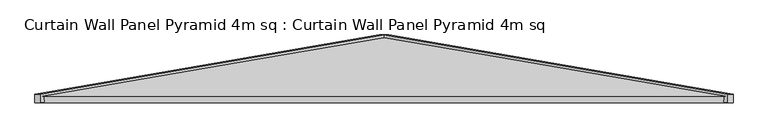
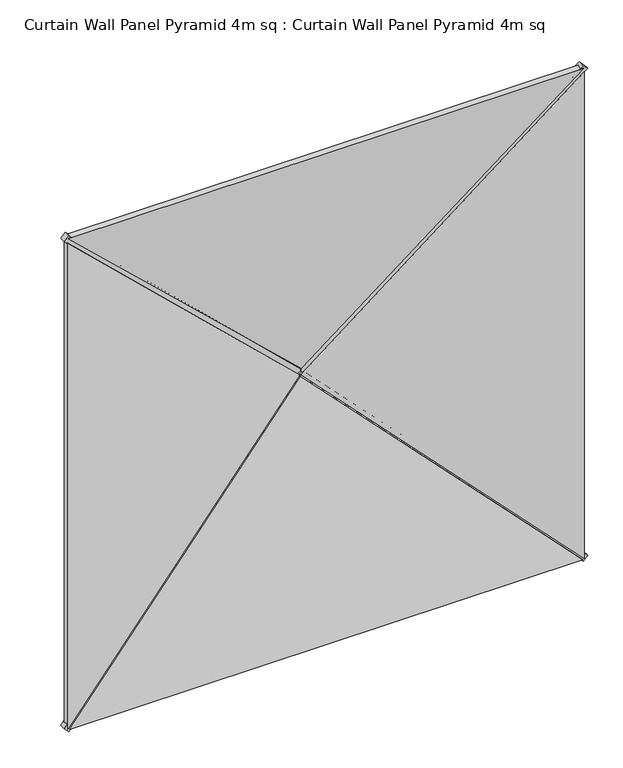
"""IFC4 building model written with IfcOpenShell, lengths in millimetres: plate geometry, Curtain Wall Panel Pyramid 4m sq : Curtain Wall Panel Pyramid 4m sq."""

from ifc_helpers import new_model, si_unit, frame, origin, place, context, project, spatial, polyline, outline, extrude, source, transform, mapped, element, save


def curtain_wall_panel_pyramid_4m_sq_curtain_wall_panel_pyramid_83c3ceaf(model_context):
    return source(origin(), model_context, "Body", "SweptSolid", [
        extrude(outline(polyline([(-25.0, 0.0), (25.0, 0.0), (-319.5008531, -2828.2124727), (-369.5008531, -2828.2124727), (-25.0, 0.0)])), frame((1992.3223305, 25.0, -17.6776695), z_axis=(0.7071067811865489, 0.0, 0.7071067811865462), x_axis=(0.0, -1.0, 0.0)), (0.0, 0.0, 1.0), 50.0),
        extrude(outline(polyline([(-25.0, 0.0), (25.0, 0.0), (369.5008531, -2828.2124727), (319.5008531, -2828.2124727), (-25.0, 0.0)])), frame((-1992.3223305, 25.0, -17.6776695), z_axis=(-0.7071067811865475, 0.0, 0.7071067811865476), x_axis=(0.0, 1.0, 0.0)), (0.0, 0.0, 1.0), 50.0),
        extrude(outline(polyline([(-25.0, 0.0), (25.0, 0.0), (369.5008531, -2828.2124727), (319.5008531, -2828.2124727), (-25.0, 0.0)])), frame((-2027.6776695, 25.0, 4007.3223305), z_axis=(0.7071067811865488, 0.0, 0.7071067811865462), x_axis=(0.0, 1.0, 0.0)), (0.0, 0.0, 1.0), 50.0),
        extrude(outline(polyline([(-25.0, 0.0), (25.0, 0.0), (-319.5008531, -2828.2124727), (-369.5008531, -2828.2124727), (-25.0, 0.0)])), frame((2027.6776695, 25.0, 4007.3223305), z_axis=(-0.7071067811865472, 0.0, 0.7071067811865479), x_axis=(0.0, -1.0, 0.0)), (0.0, 0.0, 1.0), 50.0),
        extrude(outline(polyline([(1993.2098768, -1014.7271131), (-2.1709376, 1016.8143409), (3988.5906912, 1016.8143409), (1993.2098768, -1014.7271131)])), frame((1000.0, 172.8335872, 0.0), z_axis=(0.16975307948003834, 0.9854866270056859, 0.0), x_axis=(0.0, 0.0, 1.0)), (0.0, 0.0, 1.0), 40.0),
        extrude(outline(polyline([(0.0, -1014.7271131), (-1991.3928218, 1012.7540773), (1991.3928218, 1012.7540773), (0.0, -1014.7271131)])), frame((0.0, 212.2530523, 986.4197536), z_axis=(0.0, -0.9854866270056859, 0.16975307948003834), x_axis=(-1.0, 0.0, 0.0)), (0.0, 0.0, 1.0), 40.0),
        extrude(outline(polyline([(1993.2098768, 1014.7271131), (3986.6374086, -1014.8256606), (-0.217655, -1014.8256606), (1993.2098768, 1014.7271131)])), frame((-1000.0, 172.8335872, 0.0), z_axis=(-0.16975307948003834, 0.9854866270056859, 0.0), x_axis=(0.0, 0.0, 1.0)), (0.0, 0.0, 1.0), 40.0),
        extrude(outline(polyline([(1996.304868, -1017.8221042), (-1996.2959025, -1017.8221042), (2.4233431, 976.0594205), (1996.304868, -1017.8221042)])), frame((0.0, 172.8335872, 3018.2098768), z_axis=(0.0, 0.9854866270056859, 0.16975307948003832), x_axis=(1.0, 0.0, 0.0)), (0.0, 0.0, 1.0), 40.0),
    ])


if __name__ == "__main__":
    model = new_model("IFC4")
    model_context = context("Model", 3, world=origin())
    ifc_project = project(units=[si_unit("LENGTHUNIT", "METRE", prefix="MILLI")], contexts=[model_context])
    site = spatial("IfcSite", under=ifc_project)
    building = spatial("IfcBuilding", under=site)
    placement = place(None, origin())
    curtain_wall_panel_pyramid_4m_sq_curtain_wall_panel_pyramid_shape = curtain_wall_panel_pyramid_4m_sq_curtain_wall_panel_pyramid_83c3ceaf(model_context)
    element("IfcPlate", 1, ObjectType="Curtain Wall Panel Pyramid 4m sq : Curtain Wall Panel Pyramid 4m sq", at=placement, inside=building, context=model_context, shape_type="MappedRepresentation", body=[
        mapped(curtain_wall_panel_pyramid_4m_sq_curtain_wall_panel_pyramid_shape, transform((0.0, 0.0, 0.0), x_axis=(1.0, 0.0, 0.0), y_axis=(0.0, 1.0, 0.0), z_axis=(0.0, 0.0, 1.0))),
    ])
    save(model, "model.ifc")
